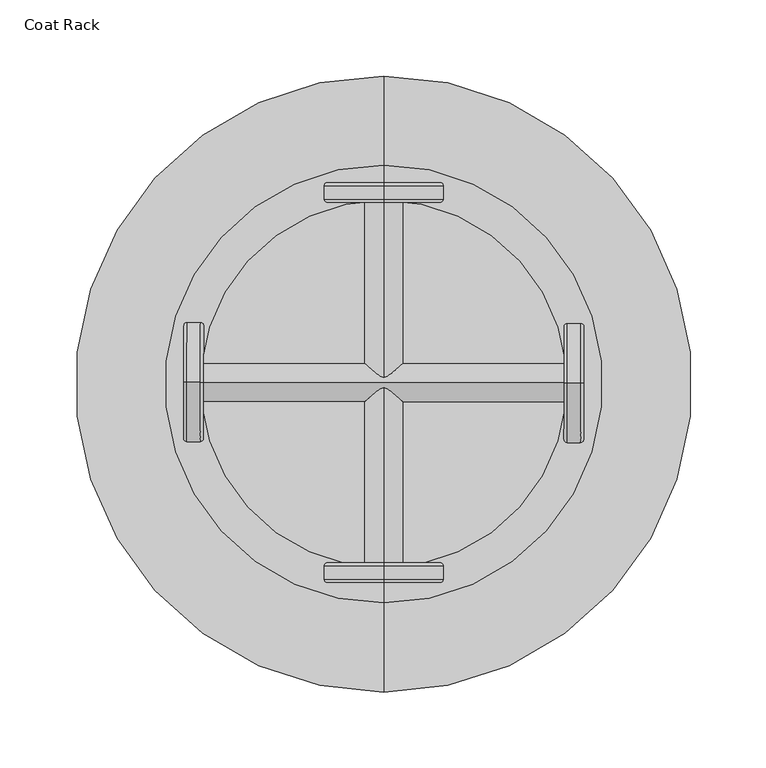
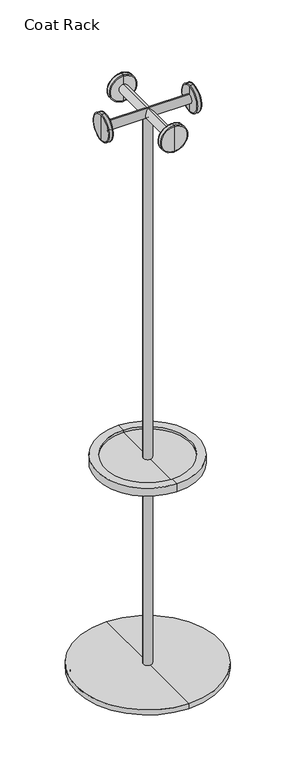
"""IFC4 building model written with IfcOpenShell, lengths in millimetres: furniture geometry, Coat Rack."""

from ifc_helpers import new_model, si_unit, point, frame, origin, origin_with_axes, origin_2d, place, context, project, spatial, polyline, circle_curve, ellipse_curve, trimmed, segment, composite_curve, outline, extrude, source, transform, mapped, element, save
from ifc_brep_helpers import plane_surface, cylinder_surface, revolved_surface, advanced_brep


def coat_rack_448183b8(model_context):
    return source(origin(), model_context, "Body", "SolidModel", [
        extrude(outline(composite_curve([segment(trimmed(circle_curve(origin_2d(), 12.1641607), [point((-12.1641607, 0.0))], [point((12.1641607, 0.0))], False, "CARTESIAN"), True, "CONTINUOUS"), segment(trimmed(circle_curve(origin_2d(), 12.1641607), [point((12.1641607, 0.0))], [point((-12.1641607, 0.0))], False, "CARTESIAN"), True, "CONTINUOUS")], self_intersect=False)), origin_with_axes(), (0.0, 0.0, 1.0), 1671.4524822),
        advanced_brep(
        [(129.8852, 0.5408786, 1632.0287258), (129.8852, 0.5408786, 1710.8762386), (131.9171939, 0.5359097, 1708.8442386), (131.9171939, 0.5359097, 1634.0607258), (121.0128886, 0.5625744, 1632.0287258), (121.0128886, 0.5625744, 1710.8762386), (118.9808947, 0.5675433, 1634.0607258), (118.9808947, 0.5675433, 1708.8442386), (118.9808947, 0.5675433, 1658.8454029), (118.9808947, 0.5675433, 1684.0595615), (-118.9808947, 1.1494394, 1658.8454029), (-118.9808947, 1.1494394, 1684.0595615), (-118.9808947, 1.1494394, 1634.0607258), (-118.9808947, 1.1494394, 1708.8442386), (-121.0128886, 1.1544083, 1632.0287258), (-121.0128886, 1.1544083, 1710.8762386), (-129.8852, 1.1761041, 1632.0287258), (-129.8852, 1.1761041, 1710.8762386), (-131.9171939, 1.181073, 1634.0607258), (-131.9171939, 1.181073, 1708.8442386), (-131.9171939, 1.181073, 1671.4524822), (131.9171939, 0.5359097, 1671.4524822)],
        [
            (0, 1, circle_curve(frame((129.8852, 0.5408786, 1671.4524822), z_axis=(0.9999970101832986, -0.002445327066884995, 0.0), x_axis=(0.0, 0.0, 1.0000000000000002)), 39.4237564)),
            (1, 2, circle_curve(frame((129.8852, 0.5408786, 1708.8442386), z_axis=(0.002445327066884995, 0.9999970101832986, 0.0), x_axis=(-0.9999970101832986, 0.002445327066884995, 0.0)), 2.032)),
            (2, 3, circle_curve(frame((131.9171939, 0.5359097, 1671.4524822), z_axis=(-0.9999970101832986, 0.002445327066884995, 0.0), x_axis=(0.0, 0.0, 1.0000000000000002)), 37.3917564)),
            (3, 0, circle_curve(frame((129.8852, 0.5408786, 1634.0607258), z_axis=(0.002445327066884995, 0.9999970101832986, 0.0), x_axis=(-0.9999970101832986, 0.002445327066884995, 0.0)), 2.032)),
            (1, 0, circle_curve(frame((129.8852, 0.5408786, 1671.4524822), z_axis=(0.9999970101832986, -0.002445327066884995, 0.0), x_axis=(0.0, 0.0, 1.0000000000000002)), 39.4237564)),
            (3, 2, circle_curve(frame((131.9171939, 0.5359097, 1671.4524822), z_axis=(-0.9999970101832986, 0.002445327066884995, 0.0), x_axis=(0.0, 0.0, 1.0000000000000002)), 37.3917564)),
            (4, 5, circle_curve(frame((121.0128886, 0.5625744, 1671.4524822), z_axis=(0.9999970101832986, -0.002445327066884995, 0.0), x_axis=(0.0, 0.0, 1.0000000000000002)), 39.4237564)),
            (5, 1),
            (0, 4),
            (5, 4, circle_curve(frame((121.0128886, 0.5625744, 1671.4524822), z_axis=(0.9999970101832986, -0.002445327066884995, 0.0), x_axis=(0.0, 0.0, 1.0000000000000002)), 39.4237564)),
            (6, 7, circle_curve(frame((118.9808947, 0.5675433, 1671.4524822), z_axis=(0.9999970101832986, -0.002445327066884995, 0.0), x_axis=(0.0, 0.0, 1.0000000000000002)), 37.3917564)),
            (7, 5, circle_curve(frame((121.0128886, 0.5625744, 1708.8442386), z_axis=(0.002445327066884995, 0.9999970101832986, 0.0), x_axis=(-0.9999970101832986, 0.002445327066884995, 0.0)), 2.032)),
            (4, 6, circle_curve(frame((121.0128886, 0.5625744, 1634.0607258), z_axis=(0.002445327066884995, 0.9999970101832986, 0.0), x_axis=(-0.9999970101832986, 0.002445327066884995, 0.0)), 2.032)),
            (7, 6, circle_curve(frame((118.9808947, 0.5675433, 1671.4524822), z_axis=(0.9999970101832986, -0.002445327066884995, 0.0), x_axis=(0.0, 0.0, 1.0000000000000002)), 37.3917564)),
            (8, 9, circle_curve(frame((118.9808947, 0.5675433, 1671.4524822), z_axis=(0.9999970101832986, -0.002445327066884995, 0.0), x_axis=(0.0, 0.0, 1.0000000000000002)), 12.6070793)),
            (9, 7),
            (6, 8),
            (9, 8, circle_curve(frame((118.9808947, 0.5675433, 1671.4524822), z_axis=(0.9999970101832986, -0.002445327066884995, 0.0), x_axis=(0.0, 0.0, 1.0000000000000002)), 12.6070793)),
            (10, 11, circle_curve(frame((-118.9808947, 1.1494394, 1671.4524822), z_axis=(0.9999970101832986, -0.002445327066884995, 0.0), x_axis=(0.0, 0.0, 1.0000000000000002)), 12.6070793)),
            (11, 9),
            (8, 10),
            (11, 10, circle_curve(frame((-118.9808947, 1.1494394, 1671.4524822), z_axis=(0.9999970101832986, -0.002445327066884995, 0.0), x_axis=(0.0, 0.0, 1.0000000000000002)), 12.6070793)),
            (12, 13, circle_curve(frame((-118.9808947, 1.1494394, 1671.4524822), z_axis=(0.9999970101832986, -0.002445327066884995, 0.0), x_axis=(0.0, 0.0, 1.0000000000000002)), 37.3917564)),
            (13, 11),
            (10, 12),
            (13, 12, circle_curve(frame((-118.9808947, 1.1494394, 1671.4524822), z_axis=(0.9999970101832986, -0.002445327066884995, 0.0), x_axis=(0.0, 0.0, 1.0000000000000002)), 37.3917564)),
            (14, 15, circle_curve(frame((-121.0128886, 1.1544083, 1671.4524822), z_axis=(0.9999970101832986, -0.002445327066884995, 0.0), x_axis=(0.0, 0.0, 1.0000000000000002)), 39.4237564)),
            (15, 13, circle_curve(frame((-121.0128886, 1.1544083, 1708.8442386), z_axis=(0.002445327066884995, 0.9999970101832986, 0.0), x_axis=(0.9999970101832986, -0.002445327066884995, 0.0)), 2.032)),
            (12, 14, circle_curve(frame((-121.0128886, 1.1544083, 1634.0607258), z_axis=(0.002445327066884995, 0.9999970101832986, 0.0), x_axis=(0.9999970101832986, -0.002445327066884995, 0.0)), 2.032)),
            (15, 14, circle_curve(frame((-121.0128886, 1.1544083, 1671.4524822), z_axis=(0.9999970101832986, -0.002445327066884995, 0.0), x_axis=(0.0, 0.0, 1.0000000000000002)), 39.4237564)),
            (16, 17, circle_curve(frame((-129.8852, 1.1761041, 1671.4524822), z_axis=(0.9999970101832986, -0.002445327066884995, 0.0), x_axis=(0.0, 0.0, 1.0000000000000002)), 39.4237564)),
            (17, 15),
            (14, 16),
            (17, 16, circle_curve(frame((-129.8852, 1.1761041, 1671.4524822), z_axis=(0.9999970101832986, -0.002445327066884995, 0.0), x_axis=(0.0, 0.0, 1.0000000000000002)), 39.4237564)),
            (18, 19, circle_curve(frame((-131.9171939, 1.181073, 1671.4524822), z_axis=(0.9999970101832986, -0.002445327066884995, 0.0), x_axis=(0.0, 0.0, 1.0000000000000002)), 37.3917564)),
            (19, 17, circle_curve(frame((-129.8852, 1.1761041, 1708.8442386), z_axis=(0.002445327066884995, 0.9999970101832986, 0.0), x_axis=(0.9999970101832986, -0.002445327066884995, 0.0)), 2.032)),
            (16, 18, circle_curve(frame((-129.8852, 1.1761041, 1634.0607258), z_axis=(0.002445327066884995, 0.9999970101832986, 0.0), x_axis=(0.9999970101832986, -0.002445327066884995, 0.0)), 2.032)),
            (19, 18, circle_curve(frame((-131.9171939, 1.181073, 1671.4524822), z_axis=(0.9999970101832986, -0.002445327066884995, 0.0), x_axis=(0.0, 0.0, 1.0000000000000002)), 37.3917564)),
            (20, 19),
            (18, 20),
            (2, 21),
            (21, 3),
        ],
        [
            revolved_surface(trimmed(ellipse_curve(frame((129.8852, 0.5408786, 1708.8442386), z_axis=(-0.002445327066884995, -0.9999970101832986, 0.0), x_axis=(-0.9999970101832986, 0.002445327066884995, 0.0)), 2.032, 2.032), [point((131.9171939, 0.5359097, 1708.8442386))], [point((129.8852, 0.5408786, 1710.8762386))], True, "CARTESIAN"), (154.2175641, 0.4813778, 1671.4524822), (-0.9999970101832986, 0.002445327066884995, 0.0)),
            cylinder_surface(frame((154.2175641, 0.4813778, 1671.4524822), z_axis=(-0.9999970101832986, 0.002445327066884995, 0.0), x_axis=(0.0, 0.0, 1.0000000000000002)), 39.4237564),
            revolved_surface(trimmed(ellipse_curve(frame((121.0128886, 0.5625744, 1708.8442386), z_axis=(-0.002445327066884995, -0.9999970101832986, 0.0), x_axis=(-0.9999970101832986, 0.002445327066884995, 0.0)), 2.032, 2.032), [point((121.0128886, 0.5625744, 1710.8762386))], [point((118.9808947, 0.5675433, 1708.8442386))], True, "CARTESIAN"), (154.2175641, 0.4813778, 1671.4524822), (-0.9999970101832986, 0.002445327066884995, 0.0)),
            plane_surface(frame((118.9808947, 0.5675433, 1671.4524822), z_axis=(-0.9999970101832986, 0.002445327066884995, 0.0), x_axis=(0.0, 0.0, 1.0))),
            cylinder_surface(frame((154.2175641, 0.4813778, 1671.4524822), z_axis=(-0.9999970101832986, 0.002445327066884995, 0.0), x_axis=(0.0, 0.0, 1.0000000000000002)), 12.6070793),
            plane_surface(frame((-118.9808947, 1.1494394, 1671.4524822), z_axis=(0.9999970101832986, -0.002445327066884995, 0.0), x_axis=(0.0, 0.0, 1.0))),
            revolved_surface(trimmed(ellipse_curve(frame((-121.0128886, 1.1544083, 1708.8442386), z_axis=(-0.002445327066884995, -0.9999970101832986, 0.0), x_axis=(0.9999970101832986, -0.002445327066884995, 0.0)), 2.032, 2.032), [point((-118.9808947, 1.1494394, 1708.8442386))], [point((-121.0128886, 1.1544083, 1710.8762386))], True, "CARTESIAN"), (154.2175641, 0.4813778, 1671.4524822), (-0.9999970101832986, 0.002445327066884995, 0.0)),
            revolved_surface(trimmed(ellipse_curve(frame((-129.8852, 1.1761041, 1708.8442386), z_axis=(-0.002445327066884995, -0.9999970101832986, 0.0), x_axis=(0.9999970101832986, -0.002445327066884995, 0.0)), 2.032, 2.032), [point((-129.8852, 1.1761041, 1710.8762386))], [point((-131.9171939, 1.181073, 1708.8442386))], True, "CARTESIAN"), (154.2175641, 0.4813778, 1671.4524822), (-0.9999970101832986, 0.002445327066884995, 0.0)),
            plane_surface(frame((-131.9171939, 1.181073, 1671.4524822), z_axis=(-0.9999970101832986, 0.002445327066884995, 0.0), x_axis=(0.0, 0.0, 1.0))),
            plane_surface(frame((131.9171939, 0.5359097, 1671.4524822), z_axis=(0.9999970101832986, -0.002445327066884995, 0.0), x_axis=(0.0, 0.0, 1.0))),
        ],
        [
            (0, [[1, 2, 3, 4]]),
            (0, [[5, -4, 6, -2]]),
            (1, [[7, 8, -1, 9]]),
            (1, [[10, -9, -5, -8]]),
            (2, [[11, 12, -7, 13]]),
            (2, [[14, -13, -10, -12]]),
            (3, [[15, 16, -11, 17]]),
            (3, [[18, -17, -14, -16]]),
            (4, [[19, 20, -15, 21]]),
            (4, [[22, -21, -18, -20]]),
            (5, [[23, 24, -19, 25]]),
            (5, [[26, -25, -22, -24]]),
            (6, [[27, 28, -23, 29]]),
            (6, [[30, -29, -26, -28]]),
            (1, [[31, 32, -27, 33]]),
            (1, [[34, -33, -30, -32]]),
            (7, [[35, 36, -31, 37]]),
            (7, [[38, -37, -34, -36]]),
            (8, [[39, -35, 40]]),
            (8, [[-40, -38, -39]]),
            (9, [[-3, 41, 42]]),
            (9, [[-6, -42, -41]]),
        ],
    ),
        advanced_brep(
        [(0.0, 130.7440797, 1632.0287258), (0.0, 130.7440797, 1710.8762386), (0.0, 132.7760797, 1708.8442386), (0.0, 132.7760797, 1634.0607258), (0.0, 121.8717418, 1632.0287258), (0.0, 121.8717418, 1710.8762386), (0.0, 119.8397418, 1634.0607258), (0.0, 119.8397418, 1708.8442386), (0.0, 119.8397418, 1658.8454029), (0.0, 119.8397418, 1684.0595615), (0.0, -118.1227591, 1658.8454029), (0.0, -118.1227591, 1684.0595615), (0.0, -118.1227591, 1634.0607258), (0.0, -118.1227591, 1708.8442386), (0.0, -120.1547591, 1632.0287258), (0.0, -120.1547591, 1710.8762386), (0.0, -129.027097, 1632.0287258), (0.0, -129.027097, 1710.8762386), (0.0, -131.059097, 1634.0607258), (0.0, -131.059097, 1708.8442386), (0.0, -131.059097, 1671.4524822), (0.0, 132.7760797, 1671.4524822)],
        [
            (0, 1, circle_curve(frame((0.0, 130.7440797, 1671.4524822), z_axis=(0.0, 1.0, 0.0), x_axis=(0.0, 0.0, 1.0)), 39.4237564)),
            (1, 2, circle_curve(frame((0.0, 130.7440797, 1708.8442386), z_axis=(-1.0, 0.0, 0.0), x_axis=(0.0, -1.0, 0.0)), 2.032)),
            (2, 3, circle_curve(frame((0.0, 132.7760797, 1671.4524822), z_axis=(0.0, -1.0, 0.0), x_axis=(0.0, 0.0, 1.0)), 37.3917564)),
            (3, 0, circle_curve(frame((0.0, 130.7440797, 1634.0607258), z_axis=(-1.0, 0.0, 0.0), x_axis=(0.0, -1.0, 0.0)), 2.032)),
            (1, 0, circle_curve(frame((0.0, 130.7440797, 1671.4524822), z_axis=(0.0, 1.0, 0.0), x_axis=(0.0, 0.0, 1.0)), 39.4237564)),
            (3, 2, circle_curve(frame((0.0, 132.7760797, 1671.4524822), z_axis=(0.0, -1.0, 0.0), x_axis=(0.0, 0.0, 1.0)), 37.3917564)),
            (4, 5, circle_curve(frame((0.0, 121.8717418, 1671.4524822), z_axis=(0.0, 1.0, 0.0), x_axis=(0.0, 0.0, 1.0)), 39.4237564)),
            (5, 1),
            (0, 4),
            (5, 4, circle_curve(frame((0.0, 121.8717418, 1671.4524822), z_axis=(0.0, 1.0, 0.0), x_axis=(0.0, 0.0, 1.0)), 39.4237564)),
            (6, 7, circle_curve(frame((0.0, 119.8397418, 1671.4524822), z_axis=(0.0, 1.0, 0.0), x_axis=(0.0, 0.0, 1.0)), 37.3917564)),
            (7, 5, circle_curve(frame((0.0, 121.8717418, 1708.8442386), z_axis=(-1.0, 0.0, 0.0), x_axis=(0.0, -1.0, 0.0)), 2.032)),
            (4, 6, circle_curve(frame((0.0, 121.8717418, 1634.0607258), z_axis=(-1.0, 0.0, 0.0), x_axis=(0.0, -1.0, 0.0)), 2.032)),
            (7, 6, circle_curve(frame((0.0, 119.8397418, 1671.4524822), z_axis=(0.0, 1.0, 0.0), x_axis=(0.0, 0.0, 1.0)), 37.3917564)),
            (8, 9, circle_curve(frame((0.0, 119.8397418, 1671.4524822), z_axis=(0.0, 1.0, 0.0), x_axis=(0.0, 0.0, 1.0)), 12.6070793)),
            (9, 7),
            (6, 8),
            (9, 8, circle_curve(frame((0.0, 119.8397418, 1671.4524822), z_axis=(0.0, 1.0, 0.0), x_axis=(0.0, 0.0, 1.0)), 12.6070793)),
            (10, 11, circle_curve(frame((0.0, -118.1227591, 1671.4524822), z_axis=(0.0, 1.0, 0.0), x_axis=(0.0, 0.0, 1.0)), 12.6070793)),
            (11, 9),
            (8, 10),
            (11, 10, circle_curve(frame((0.0, -118.1227591, 1671.4524822), z_axis=(0.0, 1.0, 0.0), x_axis=(0.0, 0.0, 1.0)), 12.6070793)),
            (12, 13, circle_curve(frame((0.0, -118.1227591, 1671.4524822), z_axis=(0.0, 1.0, 0.0), x_axis=(0.0, 0.0, 1.0)), 37.3917564)),
            (13, 11),
            (10, 12),
            (13, 12, circle_curve(frame((0.0, -118.1227591, 1671.4524822), z_axis=(0.0, 1.0, 0.0), x_axis=(0.0, 0.0, 1.0)), 37.3917564)),
            (14, 15, circle_curve(frame((0.0, -120.1547591, 1671.4524822), z_axis=(0.0, 1.0, 0.0), x_axis=(0.0, 0.0, 1.0)), 39.4237564)),
            (15, 13, circle_curve(frame((0.0, -120.1547591, 1708.8442386), z_axis=(-1.0, 0.0, 0.0), x_axis=(0.0, 1.0, 0.0)), 2.032)),
            (12, 14, circle_curve(frame((0.0, -120.1547591, 1634.0607258), z_axis=(-1.0, 0.0, 0.0), x_axis=(0.0, 1.0, 0.0)), 2.032)),
            (15, 14, circle_curve(frame((0.0, -120.1547591, 1671.4524822), z_axis=(0.0, 1.0, 0.0), x_axis=(0.0, 0.0, 1.0)), 39.4237564)),
            (16, 17, circle_curve(frame((0.0, -129.027097, 1671.4524822), z_axis=(0.0, 1.0, 0.0), x_axis=(0.0, 0.0, 1.0)), 39.4237564)),
            (17, 15),
            (14, 16),
            (17, 16, circle_curve(frame((0.0, -129.027097, 1671.4524822), z_axis=(0.0, 1.0, 0.0), x_axis=(0.0, 0.0, 1.0)), 39.4237564)),
            (18, 19, circle_curve(frame((0.0, -131.059097, 1671.4524822), z_axis=(0.0, 1.0, 0.0), x_axis=(0.0, 0.0, 1.0)), 37.3917564)),
            (19, 17, circle_curve(frame((0.0, -129.027097, 1708.8442386), z_axis=(-1.0, 0.0, 0.0), x_axis=(0.0, 1.0, 0.0)), 2.032)),
            (16, 18, circle_curve(frame((0.0, -129.027097, 1634.0607258), z_axis=(-1.0, 0.0, 0.0), x_axis=(0.0, 1.0, 0.0)), 2.032)),
            (19, 18, circle_curve(frame((0.0, -131.059097, 1671.4524822), z_axis=(0.0, 1.0, 0.0), x_axis=(0.0, 0.0, 1.0)), 37.3917564)),
            (20, 19),
            (18, 20),
            (2, 21),
            (21, 3),
        ],
        [
            revolved_surface(trimmed(ellipse_curve(frame((0.0, 130.7440797, 1708.8442386), z_axis=(1.0, 0.0, 0.0), x_axis=(0.0, -1.0, 0.0)), 2.032, 2.032), [point((0.0, 132.7760797, 1708.8442386))], [point((0.0, 130.7440797, 1710.8762386))], True, "CARTESIAN"), (0.0, 155.0765166, 1671.4524822), (0.0, -1.0, 0.0)),
            cylinder_surface(frame((0.0, 155.0765166, 1671.4524822), z_axis=(0.0, -1.0, 0.0), x_axis=(0.0, 0.0, 1.0)), 39.4237564),
            revolved_surface(trimmed(ellipse_curve(frame((0.0, 121.8717418, 1708.8442386), z_axis=(1.0, 0.0, 0.0), x_axis=(0.0, -1.0, 0.0)), 2.032, 2.032), [point((0.0, 121.8717418, 1710.8762386))], [point((0.0, 119.8397418, 1708.8442386))], True, "CARTESIAN"), (0.0, 155.0765166, 1671.4524822), (0.0, -1.0, 0.0)),
            plane_surface(frame((0.0, 119.8397418, 1671.4524822), z_axis=(0.0, -1.0, 0.0), x_axis=(0.0, 0.0, 1.0))),
            cylinder_surface(frame((0.0, 155.0765166, 1671.4524822), z_axis=(0.0, -1.0, 0.0), x_axis=(0.0, 0.0, 1.0)), 12.6070793),
            plane_surface(frame((0.0, -118.1227591, 1671.4524822), z_axis=(0.0, 1.0, 0.0), x_axis=(0.0, 0.0, 1.0))),
            revolved_surface(trimmed(ellipse_curve(frame((0.0, -120.1547591, 1708.8442386), z_axis=(1.0, 0.0, 0.0), x_axis=(0.0, 1.0, 0.0)), 2.032, 2.032), [point((0.0, -118.1227591, 1708.8442386))], [point((0.0, -120.1547591, 1710.8762386))], True, "CARTESIAN"), (0.0, 155.0765166, 1671.4524822), (0.0, -1.0, 0.0)),
            revolved_surface(trimmed(ellipse_curve(frame((0.0, -129.027097, 1708.8442386), z_axis=(1.0, 0.0, 0.0), x_axis=(0.0, 1.0, 0.0)), 2.032, 2.032), [point((0.0, -129.027097, 1710.8762386))], [point((0.0, -131.059097, 1708.8442386))], True, "CARTESIAN"), (0.0, 155.0765166, 1671.4524822), (0.0, -1.0, 0.0)),
            plane_surface(frame((0.0, -131.059097, 1671.4524822), z_axis=(0.0, -1.0, 0.0), x_axis=(0.0, 0.0, 1.0))),
            plane_surface(frame((0.0, 132.7760797, 1671.4524822), z_axis=(0.0, 1.0, 0.0), x_axis=(0.0, 0.0, 1.0))),
        ],
        [
            (0, [[1, 2, 3, 4]]),
            (0, [[5, -4, 6, -2]]),
            (1, [[7, 8, -1, 9]]),
            (1, [[10, -9, -5, -8]]),
            (2, [[11, 12, -7, 13]]),
            (2, [[14, -13, -10, -12]]),
            (3, [[15, 16, -11, 17]]),
            (3, [[18, -17, -14, -16]]),
            (4, [[19, 20, -15, 21]]),
            (4, [[22, -21, -18, -20]]),
            (5, [[23, 24, -19, 25]]),
            (5, [[26, -25, -22, -24]]),
            (6, [[27, 28, -23, 29]]),
            (6, [[30, -29, -26, -28]]),
            (1, [[31, 32, -27, 33]]),
            (1, [[34, -33, -30, -32]]),
            (7, [[35, 36, -31, 37]]),
            (7, [[38, -37, -34, -36]]),
            (8, [[39, -35, 40]]),
            (8, [[-40, -38, -39]]),
            (9, [[-3, 41, 42]]),
            (9, [[-6, -42, -41]]),
        ],
    ),
        advanced_brep(
        [(0.0, 203.2, 2.2942396), (0.0, -203.2, 2.2942396), (0.0, -203.2, 17.1882916), (0.0, 203.2, 17.1882916), (0.0, 192.5764479, 2.2942396), (0.0, -192.5764479, 2.2942396), (0.0, 192.5764479, 0.0), (0.0, -192.5764479, 0.0), (0.0, 0.0, 0.0), (0.0, 0.0, 17.1882916)],
        [
            (0, 1, circle_curve(frame((0.0, 0.0, 2.2942396), z_axis=(0.0, 0.0, 1.0), x_axis=(0.0, -1.0, 0.0)), 203.2)),
            (1, 2),
            (2, 3, circle_curve(frame((0.0, 0.0, 17.1882916), z_axis=(0.0, 0.0, -1.0), x_axis=(0.0, -1.0, 0.0)), 203.2)),
            (3, 0),
            (1, 0, circle_curve(frame((0.0, 0.0, 2.2942396), z_axis=(0.0, 0.0, 1.0), x_axis=(0.0, -1.0, 0.0)), 203.2)),
            (3, 2, circle_curve(frame((0.0, 0.0, 17.1882916), z_axis=(0.0, 0.0, -1.0), x_axis=(0.0, -1.0, 0.0)), 203.2)),
            (4, 5, circle_curve(frame((0.0, 0.0, 2.2942396), z_axis=(0.0, 0.0, 1.0), x_axis=(0.0, -1.0, 0.0)), 192.5764479)),
            (5, 1),
            (0, 4),
            (5, 4, circle_curve(frame((0.0, 0.0, 2.2942396), z_axis=(0.0, 0.0, 1.0), x_axis=(0.0, -1.0, 0.0)), 192.5764479)),
            (6, 7, circle_curve(frame((0.0, 0.0, 0.0), z_axis=(0.0, 0.0, 1.0), x_axis=(0.0, -1.0, 0.0)), 192.5764479)),
            (7, 5),
            (4, 6),
            (7, 6, circle_curve(frame((0.0, 0.0, 0.0), z_axis=(0.0, 0.0, 1.0), x_axis=(0.0, -1.0, 0.0)), 192.5764479)),
            (8, 7),
            (6, 8),
            (2, 9),
            (9, 3),
        ],
        [
            cylinder_surface(frame((0.0, 0.0, -19.05), z_axis=(0.0, 0.0, -1.0), x_axis=(0.0, -1.0, 0.0)), 203.2),
            plane_surface(frame((0.0, 0.0, 2.2942396), z_axis=(0.0, 0.0, -1.0), x_axis=(0.0, -1.0, 0.0))),
            cylinder_surface(frame((0.0, 0.0, -19.05), z_axis=(0.0, 0.0, -1.0), x_axis=(0.0, -1.0, 0.0)), 192.5764479),
            plane_surface(frame((0.0, 0.0, 0.0), z_axis=(0.0, 0.0, -1.0), x_axis=(0.0, -1.0, 0.0))),
            plane_surface(frame((0.0, 0.0, 17.1882916), z_axis=(0.0, 0.0, 1.0), x_axis=(0.0, -1.0, 0.0))),
        ],
        [
            (0, [[1, 2, 3, 4]]),
            (0, [[5, -4, 6, -2]]),
            (1, [[7, 8, -1, 9]]),
            (1, [[10, -9, -5, -8]]),
            (2, [[11, 12, -7, 13]]),
            (2, [[14, -13, -10, -12]]),
            (3, [[15, -11, 16]]),
            (3, [[-16, -14, -15]]),
            (4, [[-3, 17, 18]]),
            (4, [[-6, -18, -17]]),
        ],
    ),
        advanced_brep(
        [(0.0, 121.1265546, 642.9104668), (0.0, -121.1265546, 642.9104668), (0.0, -121.1265546, 636.1826797), (0.0, 121.1265546, 636.1826797), (0.0, 144.434734, 642.9104668), (0.0, -144.434734, 642.9104668), (0.0, 144.434734, 619.1718721), (0.0, -144.434734, 619.1718721), (0.0, 107.851184, 619.1718721), (0.0, -107.851184, 619.1718721), (0.0, 107.851184, 615.5582846), (0.0, -107.851184, 615.5582846), (0.0, 0.0, 615.5582846), (0.0, 0.0, 636.1826797)],
        [
            (0, 1, circle_curve(frame((0.0, 0.0, 642.9104668), z_axis=(0.0, 0.0, 1.0), x_axis=(0.0, -1.0, 0.0)), 121.1265546)),
            (1, 2),
            (2, 3, circle_curve(frame((0.0, 0.0, 636.1826797), z_axis=(0.0, 0.0, -1.0), x_axis=(0.0, -1.0, 0.0)), 121.1265546)),
            (3, 0),
            (1, 0, circle_curve(frame((0.0, 0.0, 642.9104668), z_axis=(0.0, 0.0, 1.0), x_axis=(0.0, -1.0, 0.0)), 121.1265546)),
            (3, 2, circle_curve(frame((0.0, 0.0, 636.1826797), z_axis=(0.0, 0.0, -1.0), x_axis=(0.0, -1.0, 0.0)), 121.1265546)),
            (4, 5, circle_curve(frame((0.0, 0.0, 642.9104668), z_axis=(0.0, 0.0, 1.0), x_axis=(0.0, -1.0, 0.0)), 144.434734)),
            (5, 1),
            (0, 4),
            (5, 4, circle_curve(frame((0.0, 0.0, 642.9104668), z_axis=(0.0, 0.0, 1.0), x_axis=(0.0, -1.0, 0.0)), 144.434734)),
            (6, 7, circle_curve(frame((0.0, 0.0, 619.1718721), z_axis=(0.0, 0.0, 1.0), x_axis=(0.0, -1.0, 0.0)), 144.434734)),
            (7, 5),
            (4, 6),
            (7, 6, circle_curve(frame((0.0, 0.0, 619.1718721), z_axis=(0.0, 0.0, 1.0), x_axis=(0.0, -1.0, 0.0)), 144.434734)),
            (8, 9, circle_curve(frame((0.0, 0.0, 619.1718721), z_axis=(0.0, 0.0, 1.0), x_axis=(0.0, -1.0, 0.0)), 107.851184)),
            (9, 7),
            (6, 8),
            (9, 8, circle_curve(frame((0.0, 0.0, 619.1718721), z_axis=(0.0, 0.0, 1.0), x_axis=(0.0, -1.0, 0.0)), 107.851184)),
            (10, 11, circle_curve(frame((0.0, 0.0, 615.5582846), z_axis=(0.0, 0.0, 1.0), x_axis=(0.0, -1.0, 0.0)), 107.851184)),
            (11, 9),
            (8, 10),
            (11, 10, circle_curve(frame((0.0, 0.0, 615.5582846), z_axis=(0.0, 0.0, 1.0), x_axis=(0.0, -1.0, 0.0)), 107.851184)),
            (12, 11),
            (10, 12),
            (2, 13),
            (13, 3),
        ],
        [
            revolved_surface(polyline([(0.0, -121.1265546, 636.1826797), (0.0, -121.1265546, 642.9104668)]), (0.0, 0.0, 565.15), (0.0, 0.0, -1.0)),
            plane_surface(frame((0.0, 0.0, 642.9104668), z_axis=(0.0, 0.0, 1.0), x_axis=(0.0, -1.0, 0.0))),
            cylinder_surface(frame((0.0, 0.0, 565.15), z_axis=(0.0, 0.0, -1.0), x_axis=(0.0, -1.0, 0.0)), 144.434734),
            plane_surface(frame((0.0, 0.0, 619.1718721), z_axis=(0.0, 0.0, -1.0), x_axis=(0.0, -1.0, 0.0))),
            cylinder_surface(frame((0.0, 0.0, 565.15), z_axis=(0.0, 0.0, -1.0), x_axis=(0.0, -1.0, 0.0)), 107.851184),
            plane_surface(frame((0.0, 0.0, 615.5582846), z_axis=(0.0, 0.0, -1.0), x_axis=(0.0, -1.0, 0.0))),
            plane_surface(frame((0.0, 0.0, 636.1826797), z_axis=(0.0, 0.0, 1.0), x_axis=(0.0, -1.0, 0.0))),
        ],
        [
            (0, [[1, 2, 3, 4]]),
            (0, [[5, -4, 6, -2]]),
            (1, [[7, 8, -1, 9]]),
            (1, [[10, -9, -5, -8]]),
            (2, [[11, 12, -7, 13]]),
            (2, [[14, -13, -10, -12]]),
            (3, [[15, 16, -11, 17]]),
            (3, [[18, -17, -14, -16]]),
            (4, [[19, 20, -15, 21]]),
            (4, [[22, -21, -18, -20]]),
            (5, [[23, -19, 24]]),
            (5, [[-24, -22, -23]]),
            (6, [[-3, 25, 26]]),
            (6, [[-6, -26, -25]]),
        ],
    ),
    ])


if __name__ == "__main__":
    model = new_model("IFC4")
    model_context = context("Model", 3, world=origin())
    ifc_project = project(units=[si_unit("LENGTHUNIT", "METRE", prefix="MILLI")], contexts=[model_context])
    site = spatial("IfcSite", under=ifc_project)
    building = spatial("IfcBuilding", under=site)
    placement = place(None, origin())
    coat_rack_shape = coat_rack_448183b8(model_context)
    element("IfcFurniture", 1, ObjectType="Coat Rack", at=placement, inside=building, context=model_context, shape_type="MappedRepresentation", body=[
        mapped(coat_rack_shape, transform((0.0, 0.0, 0.0), x_axis=(1.0, 0.0, 0.0), y_axis=(0.0, 1.0, 0.0), z_axis=(0.0, 0.0, 1.0))),
    ])
    save(model, "model.ifc")
